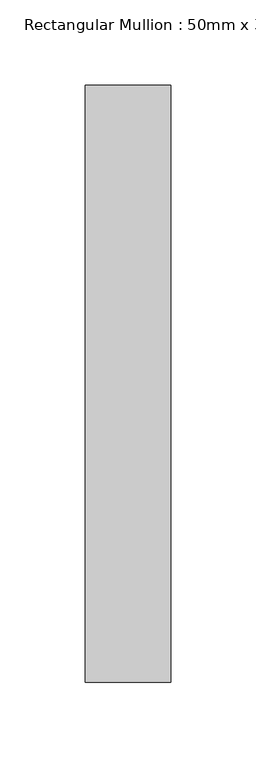
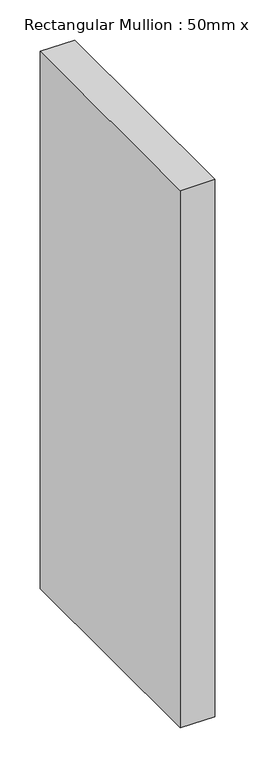
"""IFC4 building model written with IfcOpenShell, lengths in millimetres: member geometry, Rectangular Mullion : 50mm x 350mm."""

from ifc_helpers import new_model, si_unit, frame, origin, place, context, project, spatial, polyline, outline, extrude, source, transform, mapped, element, save


def rectangular_mullion_50mm_x_350mm_e1176b7c(model_context):
    return source(origin(), model_context, "Body", "SweptSolid", [
        extrude(outline(polyline([(0.0, 175.0), (0.0, -175.0), (-50.0, -175.0), (-50.0, 175.0), (0.0, 175.0)])), frame((0.0, 0.0, -820.0), z_axis=(0.0, 0.0, 1.0), x_axis=(1.0, 0.0, 0.0)), (0.0, 0.0, 1.0), 820.0),
    ])


if __name__ == "__main__":
    model = new_model("IFC4")
    model_context = context("Model", 3, world=origin())
    ifc_project = project(units=[si_unit("LENGTHUNIT", "METRE", prefix="MILLI")], contexts=[model_context])
    site = spatial("IfcSite", under=ifc_project)
    building = spatial("IfcBuilding", under=site)
    placement = place(None, origin())
    rectangular_mullion_50mm_x_350mm_shape = rectangular_mullion_50mm_x_350mm_e1176b7c(model_context)
    element("IfcMember", 1, ObjectType="Rectangular Mullion : 50mm x 350mm", at=placement, inside=building, context=model_context, shape_type="MappedRepresentation", body=[
        mapped(rectangular_mullion_50mm_x_350mm_shape, transform((0.0, 0.0, 0.0), x_axis=(1.0, 0.0, 0.0), y_axis=(0.0, 1.0, 0.0), z_axis=(0.0, 0.0, 1.0))),
    ])
    save(model, "model.ifc")
